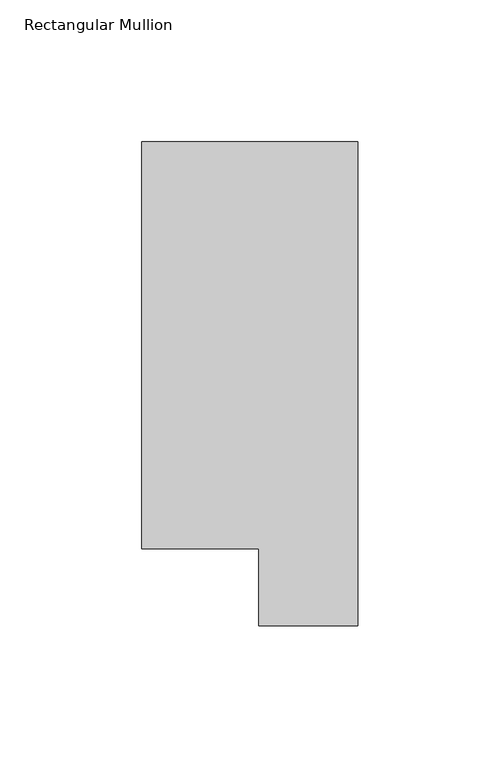
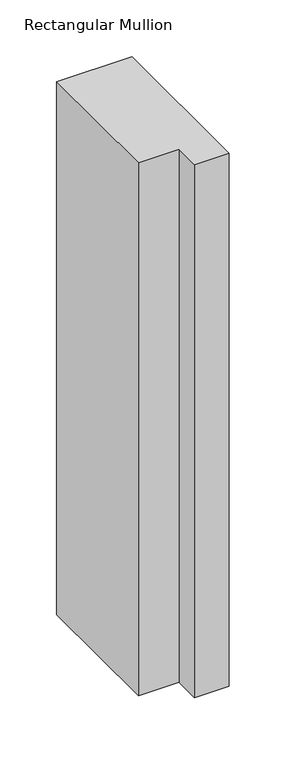
"""IFC4 building model written with IfcOpenShell, lengths in millimetres: member geometry, Rectangular Mullion."""

import ifcopenshell
import ifcopenshell.guid

model = None  # the IFC model being written
_history = None  # IfcOwnerHistory: only IFC2X3 demands one
_inside = {}  # id of a spatial element -> (the spatial element, [elements in it])
_under = {}  # id of a project, library or spatial element -> (it, [spatial elements below it])
_declared = {}  # id of a project -> (the project, [libraries it declares])
_typed = {}  # id of a type object -> (the type object, [elements of that type])
_made_of = {}  # id of a material, layer set ... -> (it, [elements and type objects made of it])


def new_model(schema):
    """Start an empty IFC model of exactly this schema.

    Asked for "IFC4X3", IfcOpenShell would pick the latest addendum, in which some entities
    have other attributes; the version numbers below select the first issue.
    IFC2X3 requires an IfcOwnerHistory on every rooted entity: one is made here for all.
    """
    global model, _history
    if schema == "IFC4X3":
        model = ifcopenshell.file(schema_version=(4, 3, 0, 0))
    else:
        model = ifcopenshell.file(schema=schema)
    _inside.clear()
    _under.clear()
    _declared.clear()
    _typed.clear()
    _made_of.clear()
    _history = None
    if model.schema == "IFC2X3":
        org = make("IfcOrganization", Name="unknown")
        user = make(
            "IfcPersonAndOrganization",
            ThePerson=make("IfcPerson", FamilyName="unknown"),
            TheOrganization=org,
        )
        app = make(
            "IfcApplication",
            ApplicationDeveloper=org,
            Version="unknown",
            ApplicationFullName="unknown",
            ApplicationIdentifier="unknown",
        )
        _history = make(
            "IfcOwnerHistory",
            OwningUser=user,
            OwningApplication=app,
            ChangeAction="ADDED",
            CreationDate=0,
        )
    return model


def make(cls, **values):
    """One entity of the class cls with the attributes given. An attribute that is None is left unset."""
    return model.create_entity(
        cls, **{name: value for name, value in values.items() if value is not None}
    )


def rooted(cls, **values):
    """An entity with a GlobalId (a new one), such as an element, a storey or a relation."""
    return make(cls, GlobalId=ifcopenshell.guid.new(), OwnerHistory=_history, **values)


def si_unit(unit_type, name, prefix=None):
    """IfcSIUnit, for example si_unit("LENGTHUNIT", "METRE", prefix="MILLI")."""
    return make("IfcSIUnit", UnitType=unit_type, Prefix=prefix, Name=name)


def assignment(units):
    """IfcUnitAssignment: the units of a project."""
    return None if units is None else make("IfcUnitAssignment", Units=units)


def point(xyz):
    """IfcCartesianPoint."""
    return None if xyz is None else make("IfcCartesianPoint", Coordinates=xyz)


def direction(xyz):
    """IfcDirection."""
    return None if xyz is None else make("IfcDirection", DirectionRatios=xyz)


def frame(location, z_axis=None, x_axis=None):
    """IfcAxis2Placement3D, a coordinate frame: its origin and axes. An axis left out is left unset."""
    return make(
        "IfcAxis2Placement3D",
        Location=point(location),
        Axis=direction(z_axis),
        RefDirection=direction(x_axis),
    )


def origin():
    """The frame at (0, 0, 0) with its axes left unset."""
    return frame((0.0, 0.0, 0.0))


def place(relative_to, where):
    """IfcLocalPlacement: puts the frame where relative to a parent placement (None: the world)."""
    return make(
        "IfcLocalPlacement", PlacementRelTo=relative_to, RelativePlacement=where
    )


def context(
    kind, dimensions, precision=None, world=None, true_north=None, identifier=None
):
    """IfcGeometricRepresentationContext, for example the 3D "Model" context."""
    return make(
        "IfcGeometricRepresentationContext",
        ContextIdentifier=identifier,
        ContextType=kind,
        CoordinateSpaceDimension=dimensions,
        Precision=precision,
        WorldCoordinateSystem=world,
        TrueNorth=true_north,
    )


def project(units=None, contexts=None):
    """IfcProject with its units and contexts."""
    return rooted(
        "IfcProject",
        Name="project",
        RepresentationContexts=contexts,
        UnitsInContext=assignment(units),
    )


def spatial(cls, under=None, at=None, **own):
    """A site, building, storey or space (cls), placed at a placement, below another one or the project."""
    s = rooted(cls, ObjectPlacement=at, **own)
    if under is not None:
        _under.setdefault(under.id(), (under, []))[1].append(s)
    return s


def polyline(points):
    """IfcPolyline through the points."""
    return make("IfcPolyline", Points=[point(p) for p in points])


def outline(outer, holes=None, kind="AREA"):
    """IfcArbitraryClosedProfileDef: a profile drawn as a closed curve; with holes, ...WithVoids."""
    if holes is None:
        return make("IfcArbitraryClosedProfileDef", ProfileType=kind, OuterCurve=outer)
    return make(
        "IfcArbitraryProfileDefWithVoids",
        ProfileType=kind,
        OuterCurve=outer,
        InnerCurves=holes,
    )


def extrude(swept, where, along, depth):
    """IfcExtrudedAreaSolid: the profile swept, set in the frame where, extruded along a direction by depth."""
    return make(
        "IfcExtrudedAreaSolid",
        SweptArea=swept,
        Position=where,
        ExtrudedDirection=direction(along),
        Depth=depth,
    )


def shape(context_of_items, identifier, shape_type, items):
    """IfcShapeRepresentation: the items that make up one representation, for example the "Body"."""
    return make(
        "IfcShapeRepresentation",
        ContextOfItems=context_of_items,
        RepresentationIdentifier=identifier,
        RepresentationType=shape_type,
        Items=items,
    )


def source(mapping_origin, context_of_items, identifier, shape_type, items):
    """IfcRepresentationMap: a shape defined once, which mapped items show again and again."""
    return make(
        "IfcRepresentationMap",
        MappingOrigin=mapping_origin,
        MappedRepresentation=shape(context_of_items, identifier, shape_type, items),
    )


def transform(
    local_origin,
    x_axis=None,
    y_axis=None,
    z_axis=None,
    scale=None,
    scale2=None,
    scale3=None,
    uniform=True,
):
    """IfcCartesianTransformationOperator3D, or its non-uniform kind. x_axis, y_axis, z_axis: its Axis1, 2, 3."""
    if uniform:
        return make(
            "IfcCartesianTransformationOperator3D",
            Axis1=direction(x_axis),
            Axis2=direction(y_axis),
            LocalOrigin=point(local_origin),
            Scale=scale,
            Axis3=direction(z_axis),
        )
    return make(
        "IfcCartesianTransformationOperator3DnonUniform",
        Axis1=direction(x_axis),
        Axis2=direction(y_axis),
        LocalOrigin=point(local_origin),
        Scale=scale,
        Axis3=direction(z_axis),
        Scale2=scale2,
        Scale3=scale3,
    )


def mapped(mapping_source, mapping_target):
    """IfcMappedItem: shows the shape of a source again, moved by a transform."""
    return make(
        "IfcMappedItem", MappingSource=mapping_source, MappingTarget=mapping_target
    )


def made_of(thing, what):
    """Note that an element or type object is made of a material, layer set ...; save() writes the relation."""
    if what is not None:
        _made_of.setdefault(what.id(), (what, []))[1].append(thing)
    return thing


def element(
    cls,
    number,
    at=None,
    inside=None,
    cuts=None,
    type_object=None,
    material=None,
    context=None,
    identifier="Body",
    shape_type=None,
    held_by="IfcProductDefinitionShape",
    body=None,
    shapes=None,
    **own,
):
    """One element of the class cls, such as IfcWall. Its Tag is "e" and its number.

    at: its placement. inside: the storey or other place that contains it. cuts: it is an
    opening in that element (IfcRelVoidsElement). A single representation is given by context,
    identifier, shape_type and body (its items); several are given by shapes. held_by: the class
    of the entity that holds the representations. save() writes the other relations.
    """
    e = rooted(cls, Tag="e%d" % number, ObjectPlacement=at, **own)
    if body is not None:
        shapes = [shape(context, identifier, shape_type, body)]
    if shapes is not None:
        e.Representation = make(held_by, Representations=shapes)
    if inside is not None:
        _inside.setdefault(inside.id(), (inside, []))[1].append(e)
    if cuts is not None:
        rooted(
            "IfcRelVoidsElement", RelatingBuildingElement=cuts, RelatedOpeningElement=e
        )
    if type_object is not None:
        _typed.setdefault(type_object.id(), (type_object, []))[1].append(e)
    return made_of(e, material)


def aggregate(whole, parts):
    """IfcRelAggregates: a whole, such as a stair, and the parts it consists of."""
    return rooted("IfcRelAggregates", RelatingObject=whole, RelatedObjects=parts)


def save(model, path):
    """Write the relations noted so far, then the file.

    IfcRelAggregates (storeys below a building ...), IfcRelContainedInSpatialStructure (elements
    in a storey), IfcRelDefinesByType, IfcRelAssociatesMaterial and IfcRelDeclares: one each for
    every whole, place, type object, material and project.
    """
    for whole, parts in _under.values():
        aggregate(whole, parts)
    for where, things in _inside.values():
        rooted(
            "IfcRelContainedInSpatialStructure",
            RelatedElements=things,
            RelatingStructure=where,
        )
    for kind, things in _typed.values():
        rooted("IfcRelDefinesByType", RelatedObjects=things, RelatingType=kind)
    for what, things in _made_of.values():
        rooted("IfcRelAssociatesMaterial", RelatedObjects=things, RelatingMaterial=what)
    for by, libraries in _declared.values():
        rooted("IfcRelDeclares", RelatingContext=by, RelatedDefinitions=libraries)
    model.write(path)


def rectangular_mullion_66e4ab9e(model_context):
    return source(origin(), model_context, "Body", "SweptSolid", [
        extrude(outline(polyline([(0.0, 190.2801312), (0.0, 19.5667312), (-34.9123, 19.5667312), (-34.9123, 46.7447302), (-76.2, 46.7447302), (-76.2, 190.2801312), (0.0, 190.2801312)])), frame((0.0, 0.0, -571.3023047), z_axis=(0.0, 0.0, 1.0), x_axis=(1.0, 0.0, 0.0)), (0.0, 0.0, 1.0), 571.3023047),
    ])


if __name__ == "__main__":
    model = new_model("IFC4")
    model_context = context("Model", 3, world=origin())
    ifc_project = project(units=[si_unit("LENGTHUNIT", "METRE", prefix="MILLI")], contexts=[model_context])
    site = spatial("IfcSite", under=ifc_project)
    building = spatial("IfcBuilding", under=site)
    placement = place(None, origin())
    rectangular_mullion_shape = rectangular_mullion_66e4ab9e(model_context)
    element("IfcMember", 1, ObjectType="Rectangular Mullion", at=placement, inside=building, context=model_context, shape_type="MappedRepresentation", body=[
        mapped(rectangular_mullion_shape, transform((0.0, 0.0, 0.0), x_axis=(1.0, 0.0, 0.0), y_axis=(0.0, 1.0, 0.0), z_axis=(0.0, 0.0, 1.0))),
    ])
    save(model, "model.ifc")
